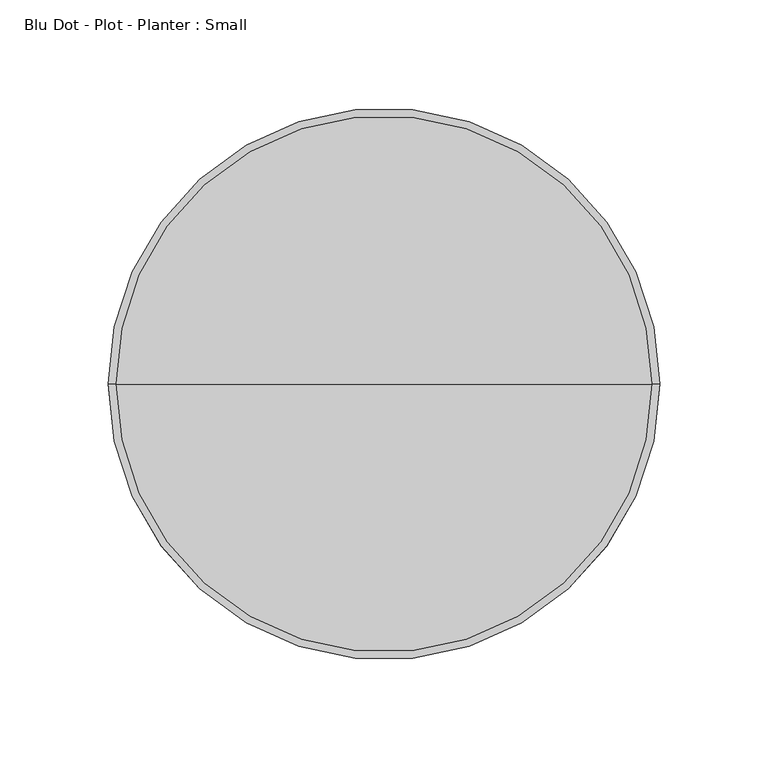
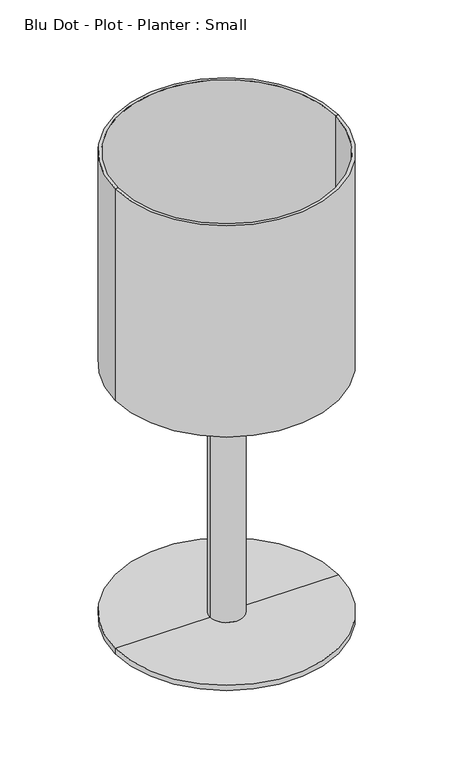
"""IFC4 building model written with IfcOpenShell, lengths in millimetres: furniture geometry, Blu Dot - Plot - Planter : Small."""

from ifc_helpers import new_model, si_unit, frame, origin, place, context, project, spatial, polyline, circle_curve, source, transform, mapped, element, save
from ifc_brep_helpers import plane_surface, cylinder_surface, revolved_surface, advanced_brep


def blu_dot_plot_planter_small_a40f2cab(model_context):
    return source(origin(), model_context, "Body", "AdvancedBrep", [
        advanced_brep(
        [(123.698, 0.0, 304.8), (-123.698, 0.0, 304.8), (-127.0, 0.0, 304.8), (127.0, 0.0, 304.8), (123.698, 0.0, 328.676), (-123.698, 0.0, 328.676), (19.05, 0.0, 328.676), (-19.05, 0.0, 328.676), (123.698, 0.0, 337.82), (-123.698, 0.0, 337.82), (0.0, 0.0, 337.82), (123.698, 0.0, 558.8), (-123.698, 0.0, 558.8), (127.0, 0.0, 558.8), (-127.0, 0.0, 558.8), (19.05, 0.0, 6.096), (-19.05, 0.0, 6.096), (127.0, 0.0, 6.096), (-127.0, 0.0, 6.096), (127.0, 0.0, 0.0), (-127.0, 0.0, 0.0), (0.0, 0.0, 0.0)],
        [
            (0, 1, circle_curve(frame((0.0, 0.0, 304.8), z_axis=(0.0, 0.0, 1.0), x_axis=(-1.0, 0.0, 0.0)), 123.698)),
            (1, 2),
            (2, 3, circle_curve(frame((0.0, 0.0, 304.8), z_axis=(0.0, 0.0, -1.0), x_axis=(-1.0, 0.0, 0.0)), 127.0)),
            (3, 0),
            (1, 0, circle_curve(frame((0.0, 0.0, 304.8), z_axis=(0.0, 0.0, 1.0), x_axis=(-1.0, 0.0, 0.0)), 123.698)),
            (3, 2, circle_curve(frame((0.0, 0.0, 304.8), z_axis=(0.0, 0.0, -1.0), x_axis=(-1.0, 0.0, 0.0)), 127.0)),
            (4, 5, circle_curve(frame((0.0, 0.0, 328.676), z_axis=(0.0, 0.0, 1.0), x_axis=(-1.0, 0.0, 0.0)), 123.698)),
            (5, 1),
            (0, 4),
            (5, 4, circle_curve(frame((0.0, 0.0, 328.676), z_axis=(0.0, 0.0, 1.0), x_axis=(-1.0, 0.0, 0.0)), 123.698)),
            (6, 7, circle_curve(frame((0.0, 0.0, 328.676), z_axis=(0.0, 0.0, 1.0), x_axis=(-1.0, 0.0, 0.0)), 19.05)),
            (7, 5),
            (4, 6),
            (7, 6, circle_curve(frame((0.0, 0.0, 328.676), z_axis=(0.0, 0.0, 1.0), x_axis=(-1.0, 0.0, 0.0)), 19.05)),
            (8, 9, circle_curve(frame((0.0, 0.0, 337.82), z_axis=(0.0, 0.0, 1.0), x_axis=(-1.0, 0.0, 0.0)), 123.698)),
            (9, 10),
            (10, 8),
            (9, 8, circle_curve(frame((0.0, 0.0, 337.82), z_axis=(0.0, 0.0, 1.0), x_axis=(-1.0, 0.0, 0.0)), 123.698)),
            (11, 12, circle_curve(frame((0.0, 0.0, 558.8), z_axis=(0.0, 0.0, 1.0), x_axis=(-1.0, 0.0, 0.0)), 123.698)),
            (12, 9),
            (8, 11),
            (12, 11, circle_curve(frame((0.0, 0.0, 558.8), z_axis=(0.0, 0.0, 1.0), x_axis=(-1.0, 0.0, 0.0)), 123.698)),
            (13, 14, circle_curve(frame((0.0, 0.0, 558.8), z_axis=(0.0, 0.0, 1.0), x_axis=(-1.0, 0.0, 0.0)), 127.0)),
            (14, 12),
            (11, 13),
            (14, 13, circle_curve(frame((0.0, 0.0, 558.8), z_axis=(0.0, 0.0, 1.0), x_axis=(-1.0, 0.0, 0.0)), 127.0)),
            (2, 14),
            (13, 3),
            (15, 16, circle_curve(frame((0.0, 0.0, 6.096), z_axis=(0.0, 0.0, 1.0), x_axis=(-1.0, 0.0, 0.0)), 19.05)),
            (16, 7),
            (6, 15),
            (16, 15, circle_curve(frame((0.0, 0.0, 6.096), z_axis=(0.0, 0.0, 1.0), x_axis=(-1.0, 0.0, 0.0)), 19.05)),
            (17, 18, circle_curve(frame((0.0, 0.0, 6.096), z_axis=(0.0, 0.0, 1.0), x_axis=(-1.0, 0.0, 0.0)), 127.0)),
            (18, 16),
            (15, 17),
            (18, 17, circle_curve(frame((0.0, 0.0, 6.096), z_axis=(0.0, 0.0, 1.0), x_axis=(-1.0, 0.0, 0.0)), 127.0)),
            (19, 20, circle_curve(frame((0.0, 0.0, 0.0), z_axis=(0.0, 0.0, 1.0), x_axis=(-1.0, 0.0, 0.0)), 127.0)),
            (20, 18),
            (17, 19),
            (20, 19, circle_curve(frame((0.0, 0.0, 0.0), z_axis=(0.0, 0.0, 1.0), x_axis=(-1.0, 0.0, 0.0)), 127.0)),
            (21, 20),
            (19, 21),
        ],
        [
            plane_surface(frame((0.0, 0.0, 304.8), z_axis=(0.0, 0.0, -1.0), x_axis=(-1.0, 0.0, 0.0))),
            revolved_surface(polyline([(-123.698, 0.0, 304.8), (-123.698, 0.0, 328.676)]), (0.0, 0.0, 654.05), (0.0, 0.0, -1.0)),
            plane_surface(frame((0.0, 0.0, 328.676), z_axis=(0.0, 0.0, -1.0), x_axis=(-1.0, 0.0, 0.0))),
            plane_surface(frame((0.0, 0.0, 337.82), z_axis=(0.0, 0.0, 1.0), x_axis=(-1.0, 0.0, 0.0))),
            revolved_surface(polyline([(-123.698, 0.0, 337.82), (-123.698, 0.0, 558.8)]), (0.0, 0.0, 654.05), (0.0, 0.0, -1.0)),
            plane_surface(frame((0.0, 0.0, 558.8), z_axis=(0.0, 0.0, 1.0), x_axis=(-1.0, 0.0, 0.0))),
            cylinder_surface(frame((0.0, 0.0, 654.05), z_axis=(0.0, 0.0, -1.0), x_axis=(-1.0, 0.0, 0.0)), 127.0),
            cylinder_surface(frame((0.0, 0.0, 654.05), z_axis=(0.0, 0.0, -1.0), x_axis=(-1.0, 0.0, 0.0)), 19.05),
            plane_surface(frame((0.0, 0.0, 6.096), z_axis=(0.0, 0.0, 1.0), x_axis=(-1.0, 0.0, 0.0))),
            plane_surface(frame((0.0, 0.0, 0.0), z_axis=(0.0, 0.0, -1.0), x_axis=(-1.0, 0.0, 0.0))),
        ],
        [
            (0, [[1, 2, 3, 4]]),
            (0, [[5, -4, 6, -2]]),
            (1, [[7, 8, -1, 9]]),
            (1, [[10, -9, -5, -8]]),
            (2, [[11, 12, -7, 13]]),
            (2, [[14, -13, -10, -12]]),
            (3, [[15, 16, 17]]),
            (3, [[18, -17, -16]]),
            (4, [[19, 20, -15, 21]]),
            (4, [[22, -21, -18, -20]]),
            (5, [[23, 24, -19, 25]]),
            (5, [[26, -25, -22, -24]]),
            (6, [[-3, 27, -23, 28]]),
            (6, [[-6, -28, -26, -27]]),
            (7, [[29, 30, -11, 31]]),
            (7, [[32, -31, -14, -30]]),
            (8, [[33, 34, -29, 35]]),
            (8, [[36, -35, -32, -34]]),
            (6, [[37, 38, -33, 39]]),
            (6, [[40, -39, -36, -38]]),
            (9, [[41, -37, 42]]),
            (9, [[-42, -40, -41]]),
        ],
    ),
    ])


if __name__ == "__main__":
    model = new_model("IFC4")
    model_context = context("Model", 3, world=origin())
    ifc_project = project(units=[si_unit("LENGTHUNIT", "METRE", prefix="MILLI")], contexts=[model_context])
    site = spatial("IfcSite", under=ifc_project)
    building = spatial("IfcBuilding", under=site)
    placement = place(None, origin())
    blu_dot_plot_planter_small_shape = blu_dot_plot_planter_small_a40f2cab(model_context)
    element("IfcFurniture", 1, ObjectType="Blu Dot - Plot - Planter : Small", at=placement, inside=building, context=model_context, shape_type="MappedRepresentation", body=[
        mapped(blu_dot_plot_planter_small_shape, transform((0.0, 0.0, 0.0), x_axis=(1.0, 0.0, 0.0), y_axis=(0.0, 1.0, 0.0), z_axis=(0.0, 0.0, 1.0))),
    ])
    save(model, "model.ifc")
